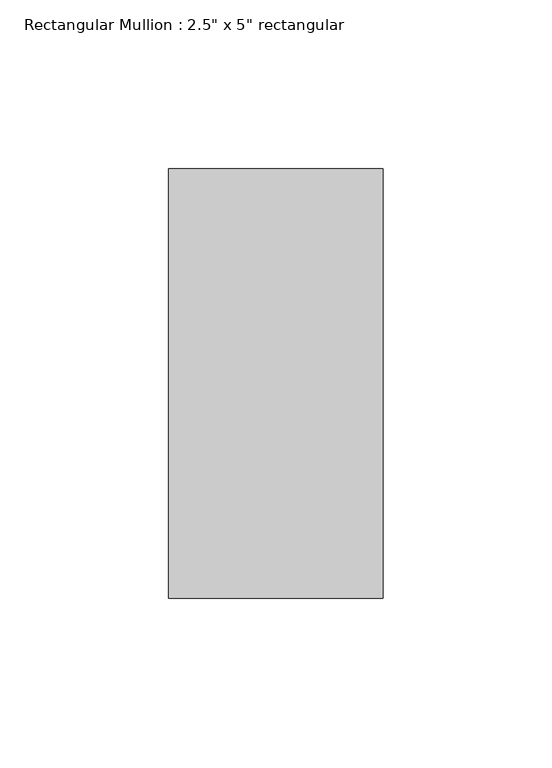
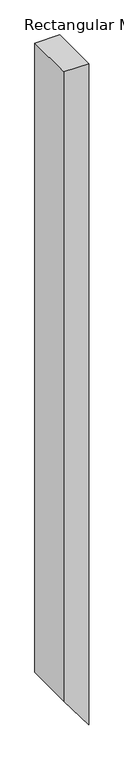
"""IFC4 building model written with IfcOpenShell, lengths in millimetres: member geometry."""

from ifc_helpers import new_model, si_unit, frame, origin, place, context, project, spatial, polyline, outline, extrude, source, transform, mapped, element, save


def member_e632b3f9(model_context):
    return source(origin(), model_context, "Body", "SweptSolid", [
        extrude(outline(polyline([(0.0, 0.0), (0.0, -63.5), (-1689.8588765, -63.5), (-1775.7446968, 0.0), (0.0, 0.0)])), frame((0.0, -63.5, 0.0), z_axis=(0.0, 1.0, 0.0), x_axis=(0.0, 0.0, 1.0)), (0.0, 0.0, 1.0), 127.0),
    ])


if __name__ == "__main__":
    model = new_model("IFC4")
    model_context = context("Model", 3, world=origin())
    ifc_project = project(units=[si_unit("LENGTHUNIT", "METRE", prefix="MILLI")], contexts=[model_context])
    site = spatial("IfcSite", under=ifc_project)
    building = spatial("IfcBuilding", under=site)
    placement = place(None, origin())
    member_shape = member_e632b3f9(model_context)
    element("IfcMember", 1, ObjectType="Rectangular Mullion : 2.5\" x 5\" rectangular", at=placement, inside=building, context=model_context, shape_type="MappedRepresentation", body=[
        mapped(member_shape, transform((0.0, 0.0, 0.0), x_axis=(1.0, 0.0, 0.0), y_axis=(0.0, 1.0, 0.0), z_axis=(0.0, 0.0, 1.0))),
    ])
    save(model, "model.ifc")
